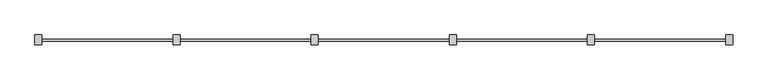
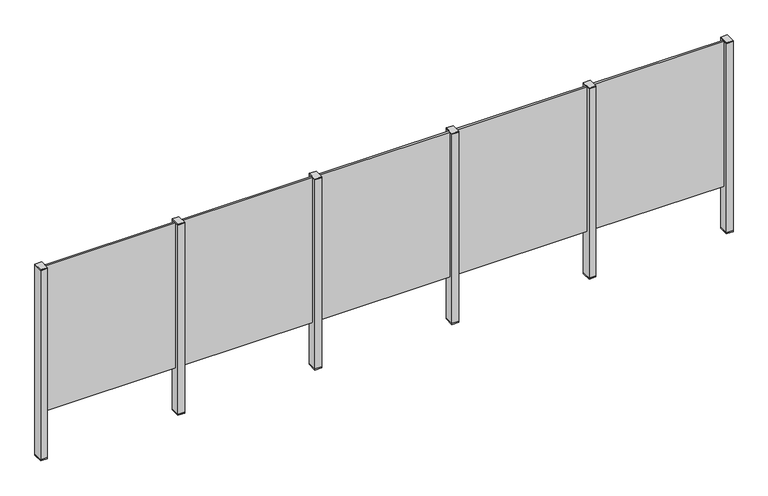
"""IFC4 building model written with IfcOpenShell, lengths in millimetres: railing geometry."""

from ifc_helpers import new_model, si_unit, frame, origin, place, context, project, spatial, polyline, outline, extrude, source, transform, mapped, element, save


def railing_b1946116(model_context):
    return source(origin(), model_context, "Body", "SweptSolid", [
        extrude(outline(polyline([(51610.0, 4860.3094929), (51610.0, 4873.5094929), (52490.0, 4873.5094929), (52490.0, 4860.3094929), (51610.0, 4860.3094929)])), frame((0.0, 0.0, 95.0), z_axis=(0.0, 0.0, 1.0), x_axis=(1.0, 0.0, 0.0)), (0.0, 0.0, 1.0), 1005.0),
        extrude(outline(polyline([(51622.5, 4900.1846828), (51622.5, 4835.1846828), (51577.5, 4835.1846828), (51577.5, 4900.1846828), (51622.5, 4900.1846828)])), frame((0.0, 0.0, 1100.0), z_axis=(0.0, 0.0, 1.0), x_axis=(1.0, 0.0, 0.0)), (0.0, 0.0, 1.0), 5.0),
        extrude(outline(polyline([(51622.5, 4900.1846828), (51622.5, 4835.1846828), (51577.5, 4835.1846828), (51577.5, 4900.1846828), (51622.5, 4900.1846828)])), frame((0.0, 0.0, -212.0), z_axis=(0.0, 0.0, 1.0), x_axis=(1.0, 0.0, 0.0)), (0.0, 0.0, 1.0), 1312.0),
        extrude(outline(polyline([(51622.5, 4900.1846828), (51622.5, 4835.1846828), (51577.5, 4835.1846828), (51577.5, 4900.1846828), (51622.5, 4900.1846828)])), frame((0.0, 0.0, -220.0), z_axis=(0.0, 0.0, 1.0), x_axis=(1.0, 0.0, 0.0)), (0.0, 0.0, 1.0), 8.0),
        extrude(outline(polyline([(50710.0, 4860.3094929), (50710.0, 4873.5094929), (51590.0, 4873.5094929), (51590.0, 4860.3094929), (50710.0, 4860.3094929)])), frame((0.0, 0.0, 95.0), z_axis=(0.0, 0.0, 1.0), x_axis=(1.0, 0.0, 0.0)), (0.0, 0.0, 1.0), 1005.0),
        extrude(outline(polyline([(50722.5, 4900.1846828), (50722.5, 4835.1846828), (50677.5, 4835.1846828), (50677.5, 4900.1846828), (50722.5, 4900.1846828)])), frame((0.0, 0.0, 1100.0), z_axis=(0.0, 0.0, 1.0), x_axis=(1.0, 0.0, 0.0)), (0.0, 0.0, 1.0), 5.0),
        extrude(outline(polyline([(50722.5, 4900.1846828), (50722.5, 4835.1846828), (50677.5, 4835.1846828), (50677.5, 4900.1846828), (50722.5, 4900.1846828)])), frame((0.0, 0.0, -212.0), z_axis=(0.0, 0.0, 1.0), x_axis=(1.0, 0.0, 0.0)), (0.0, 0.0, 1.0), 1312.0),
        extrude(outline(polyline([(50722.5, 4900.1846828), (50722.5, 4835.1846828), (50677.5, 4835.1846828), (50677.5, 4900.1846828), (50722.5, 4900.1846828)])), frame((0.0, 0.0, -220.0), z_axis=(0.0, 0.0, 1.0), x_axis=(1.0, 0.0, 0.0)), (0.0, 0.0, 1.0), 8.0),
        extrude(outline(polyline([(49810.0, 4860.3094929), (49810.0, 4873.5094929), (50690.0, 4873.5094929), (50690.0, 4860.3094929), (49810.0, 4860.3094929)])), frame((0.0, 0.0, 95.0), z_axis=(0.0, 0.0, 1.0), x_axis=(1.0, 0.0, 0.0)), (0.0, 0.0, 1.0), 1005.0),
        extrude(outline(polyline([(49822.5, 4900.1846828), (49822.5, 4835.1846828), (49777.5, 4835.1846828), (49777.5, 4900.1846828), (49822.5, 4900.1846828)])), frame((0.0, 0.0, 1100.0), z_axis=(0.0, 0.0, 1.0), x_axis=(1.0, 0.0, 0.0)), (0.0, 0.0, 1.0), 5.0),
        extrude(outline(polyline([(49822.5, 4900.1846828), (49822.5, 4835.1846828), (49777.5, 4835.1846828), (49777.5, 4900.1846828), (49822.5, 4900.1846828)])), frame((0.0, 0.0, -212.0), z_axis=(0.0, 0.0, 1.0), x_axis=(1.0, 0.0, 0.0)), (0.0, 0.0, 1.0), 1312.0),
        extrude(outline(polyline([(49822.5, 4900.1846828), (49822.5, 4835.1846828), (49777.5, 4835.1846828), (49777.5, 4900.1846828), (49822.5, 4900.1846828)])), frame((0.0, 0.0, -220.0), z_axis=(0.0, 0.0, 1.0), x_axis=(1.0, 0.0, 0.0)), (0.0, 0.0, 1.0), 8.0),
        extrude(outline(polyline([(48910.0, 4860.3094929), (48910.0, 4873.5094929), (49790.0, 4873.5094929), (49790.0, 4860.3094929), (48910.0, 4860.3094929)])), frame((0.0, 0.0, 95.0), z_axis=(0.0, 0.0, 1.0), x_axis=(1.0, 0.0, 0.0)), (0.0, 0.0, 1.0), 1005.0),
        extrude(outline(polyline([(48922.5, 4900.1846828), (48922.5, 4835.1846828), (48877.5, 4835.1846828), (48877.5, 4900.1846828), (48922.5, 4900.1846828)])), frame((0.0, 0.0, 1100.0), z_axis=(0.0, 0.0, 1.0), x_axis=(1.0, 0.0, 0.0)), (0.0, 0.0, 1.0), 5.0),
        extrude(outline(polyline([(48922.5, 4900.1846828), (48922.5, 4835.1846828), (48877.5, 4835.1846828), (48877.5, 4900.1846828), (48922.5, 4900.1846828)])), frame((0.0, 0.0, -212.0), z_axis=(0.0, 0.0, 1.0), x_axis=(1.0, 0.0, 0.0)), (0.0, 0.0, 1.0), 1312.0),
        extrude(outline(polyline([(48922.5, 4900.1846828), (48922.5, 4835.1846828), (48877.5, 4835.1846828), (48877.5, 4900.1846828), (48922.5, 4900.1846828)])), frame((0.0, 0.0, -220.0), z_axis=(0.0, 0.0, 1.0), x_axis=(1.0, 0.0, 0.0)), (0.0, 0.0, 1.0), 8.0),
        extrude(outline(polyline([(48010.0, 4860.3094929), (48010.0, 4873.5094929), (48890.0, 4873.5094929), (48890.0, 4860.3094929), (48010.0, 4860.3094929)])), frame((0.0, 0.0, 95.0), z_axis=(0.0, 0.0, 1.0), x_axis=(1.0, 0.0, 0.0)), (0.0, 0.0, 1.0), 1005.0),
        extrude(outline(polyline([(52522.5, 4900.1846828), (52522.5, 4835.1846828), (52477.5, 4835.1846828), (52477.5, 4900.1846828), (52522.5, 4900.1846828)])), frame((0.0, 0.0, 1100.0), z_axis=(0.0, 0.0, 1.0), x_axis=(1.0, 0.0, 0.0)), (0.0, 0.0, 1.0), 5.0),
        extrude(outline(polyline([(52522.5, 4900.1846828), (52522.5, 4835.1846828), (52477.5, 4835.1846828), (52477.5, 4900.1846828), (52522.5, 4900.1846828)])), frame((0.0, 0.0, -212.0), z_axis=(0.0, 0.0, 1.0), x_axis=(1.0, 0.0, 0.0)), (0.0, 0.0, 1.0), 1312.0),
        extrude(outline(polyline([(52522.5, 4900.1846828), (52522.5, 4835.1846828), (52477.5, 4835.1846828), (52477.5, 4900.1846828), (52522.5, 4900.1846828)])), frame((0.0, 0.0, -220.0), z_axis=(0.0, 0.0, 1.0), x_axis=(1.0, 0.0, 0.0)), (0.0, 0.0, 1.0), 8.0),
        extrude(outline(polyline([(48022.5, 4900.1846828), (48022.5, 4835.1846828), (47977.5, 4835.1846828), (47977.5, 4900.1846828), (48022.5, 4900.1846828)])), frame((0.0, 0.0, 1100.0), z_axis=(0.0, 0.0, 1.0), x_axis=(1.0, 0.0, 0.0)), (0.0, 0.0, 1.0), 5.0),
        extrude(outline(polyline([(48022.5, 4900.1846828), (48022.5, 4835.1846828), (47977.5, 4835.1846828), (47977.5, 4900.1846828), (48022.5, 4900.1846828)])), frame((0.0, 0.0, -212.0), z_axis=(0.0, 0.0, 1.0), x_axis=(1.0, 0.0, 0.0)), (0.0, 0.0, 1.0), 1312.0),
        extrude(outline(polyline([(48022.5, 4900.1846828), (48022.5, 4835.1846828), (47977.5, 4835.1846828), (47977.5, 4900.1846828), (48022.5, 4900.1846828)])), frame((0.0, 0.0, -220.0), z_axis=(0.0, 0.0, 1.0), x_axis=(1.0, 0.0, 0.0)), (0.0, 0.0, 1.0), 8.0),
    ])


if __name__ == "__main__":
    model = new_model("IFC4")
    model_context = context("Model", 3, world=origin())
    ifc_project = project(units=[si_unit("LENGTHUNIT", "METRE", prefix="MILLI")], contexts=[model_context])
    site = spatial("IfcSite", under=ifc_project)
    building = spatial("IfcBuilding", under=site)
    placement = place(None, origin())
    railing_shape = railing_b1946116(model_context)
    element("IfcRailing", 1, at=placement, inside=building, context=model_context, shape_type="MappedRepresentation", body=[
        mapped(railing_shape, transform((0.0, 0.0, 0.0), x_axis=(1.0, 0.0, 0.0), y_axis=(0.0, 1.0, 0.0), z_axis=(0.0, 0.0, 1.0))),
    ])
    save(model, "model.ifc")
